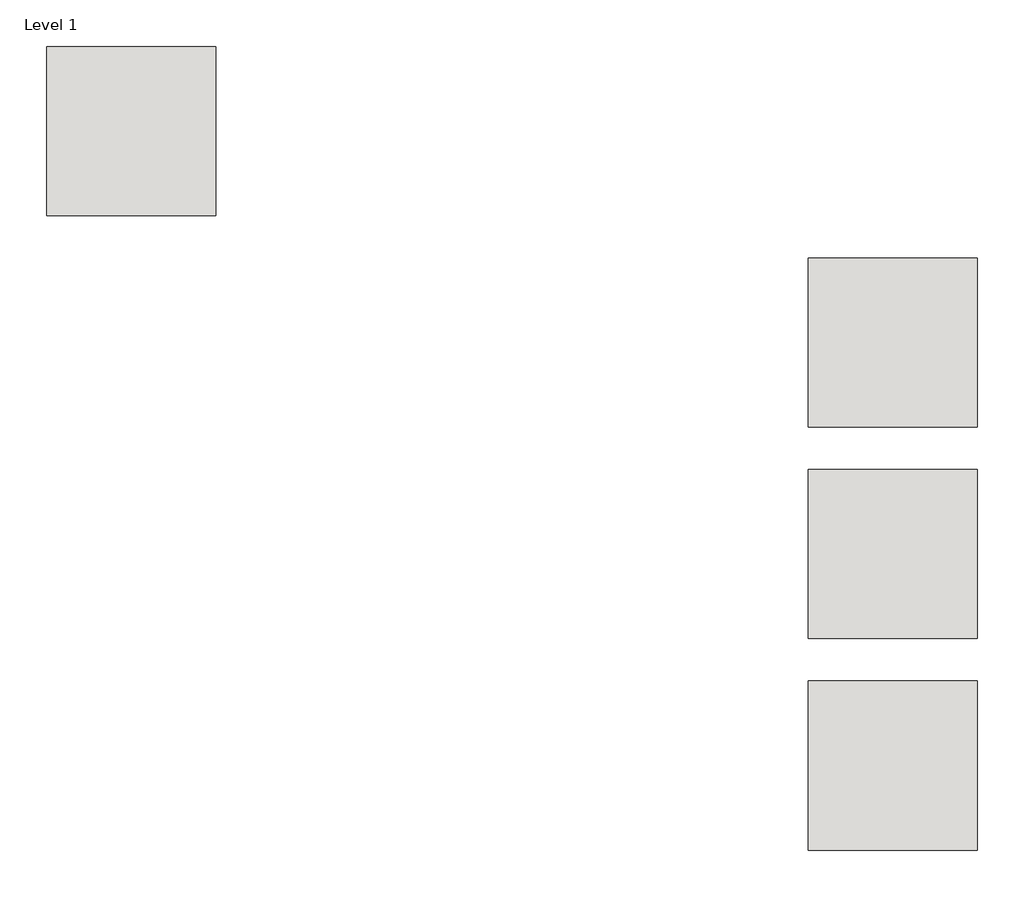
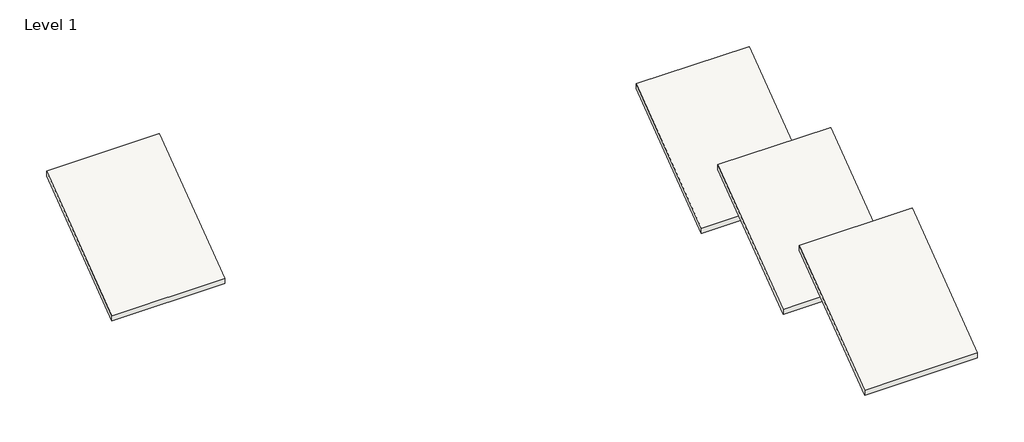
# One storey, part 9 of 10: 4 roofs.
"""IFC4 building model written with IfcOpenShell, lengths in millimetres."""

from ifc_helpers import new_model, si_unit, frame, origin, place, context, project, spatial, polyline, outline, extrude, element, save

model = new_model("IFC4")

# Units and contexts
model_context = context("Model", 3, world=origin())
ifc_project = project(units=[si_unit("LENGTHUNIT", "METRE", prefix="MILLI")], contexts=[model_context])

# Site, building, storey
site = spatial("IfcSite", under=ifc_project)
building = spatial("IfcBuilding", under=site)
storey = spatial("IfcBuildingStorey", under=building, Name="Level 1", Elevation=0.0)

# Roofs
placement = place(None, origin())
element("IfcRoof", 1, at=placement, inside=storey, context=model_context, shape_type="SweptSolid", body=[
    extrude(outline(polyline([(199493.0242732, -45942.0854012), (205589.0242732, -41370.0854012), (205589.0242732, -41655.8354012), (199493.0242732, -46227.8354012), (199493.0242732, -45942.0854012)])), frame((94103.5288668, 0.0, 0.0), z_axis=(1.0, 0.0, 0.0), x_axis=(0.0, 1.0, 0.0)), (0.0, 0.0, 1.0), 6096.0),
])
element("IfcRoof", 2, at=placement, inside=storey, context=model_context, shape_type="SweptSolid", body=[
    extrude(outline(polyline([(207113.0242732, -45942.0854012), (213209.0242732, -41370.0854012), (213209.0242732, -41655.8354012), (207113.0242732, -46227.8354012), (207113.0242732, -45942.0854012)])), frame((94103.5288668, 0.0, 0.0), z_axis=(1.0, 0.0, 0.0), x_axis=(0.0, 1.0, 0.0)), (0.0, 0.0, 1.0), 6096.0),
])
element("IfcRoof", 3, at=placement, inside=storey, context=model_context, shape_type="SweptSolid", body=[
    extrude(outline(polyline([(214733.0242732, -45942.0854012), (220829.0242732, -41370.0854012), (220829.0242732, -41655.8354012), (214733.0242732, -46227.8354012), (214733.0242732, -45942.0854012)])), frame((94103.5288668, 0.0, 0.0), z_axis=(1.0, 0.0, 0.0), x_axis=(0.0, 1.0, 0.0)), (0.0, 0.0, 1.0), 6096.0),
])
element("IfcRoof", 4, at=placement, inside=storey, context=model_context, shape_type="SweptSolid", body=[
    extrude(outline(polyline([(222353.0242732, -45942.0854012), (228449.0242732, -41370.0854012), (228449.0242732, -41655.8354012), (222353.0242732, -46227.8354012), (222353.0242732, -45942.0854012)])), frame((66671.5288668, 0.0, 0.0), z_axis=(1.0, 0.0, 0.0), x_axis=(0.0, 1.0, 0.0)), (0.0, 0.0, 1.0), 6096.0),
])

save(model, "model.ifc")
